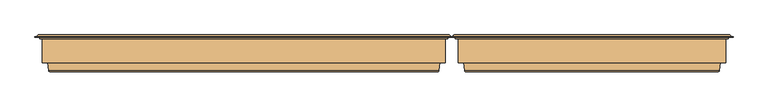
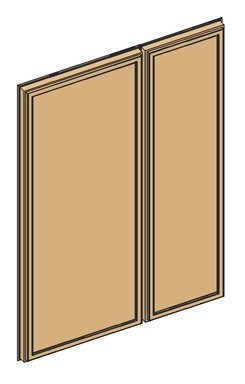
"""IFC4 building model written with IfcOpenShell, lengths in millimetres: door geometry."""

from ifc_helpers import new_model, si_unit, frame, origin, place, context, project, spatial, polyline, ellipse_curve, outline, extrude, source, transform, mapped, element, save
from ifc_brep_helpers import plane_surface, cylinder_surface, revolved_surface, advanced_brep


def door_a9d4e4e5(model_context):
    return source(origin(), model_context, "Body", "SolidModel", [
        advanced_brep(
        [(358.1810635, 152.25, 86.6650635), (826.8509365, 152.25, 86.6650635), (831.1810635, 152.25, 82.3349365), (353.8509365, 152.25, 82.3349365), (314.016, 148.6168436, 2052.5), (314.016, 148.6168436, 42.5), (314.016, 145.5999985, 42.5), (314.016, 145.5999985, 2052.5), (312.0232373, 153.0, 2054.4927627), (312.0232373, 153.0, 40.5072373), (309.5015253, 150.478288, 37.9855253), (309.5015253, 150.478288, 2057.0144747), (366.6910766, 151.5847434, 1999.8249234), (366.6910766, 151.5847434, 95.1750766), (364.7784671, 153.0, 93.2624671), (364.7784671, 153.0, 2001.7375329), (369.5233403, 142.3208261, 1996.9926597), (369.5233403, 142.3208261, 98.0073403), (369.5233403, 141.0, 1996.9926597), (369.5233403, 141.0, 98.0073403), (351.1489982, 93.0, 2015.3670018), (351.1489982, 93.0, 79.6329982), (345.2553392, 141.0, 73.7393392), (345.2553392, 141.0, 2021.2606608), (369.516, 90.0, 1997.0), (369.516, 90.0, 98.0), (369.516, 93.0, 98.0), (369.516, 93.0, 1997.0), (369.4941475, 88.7920883, 1997.0218525), (369.4941475, 88.7920883, 97.9781475), (368.5159999, 90.0, 96.9999999), (368.5159999, 90.0, 1998.0000001), (367.7053091, 80.376265, 1998.8106909), (367.7053091, 80.376265, 96.1893091), (364.7708663, 78.0, 2001.7451337), (364.7708663, 78.0, 93.2548663), (332.9541949, 79.7562613, 2033.5618051), (332.9541949, 79.7562613, 61.4381949), (334.9392872, 78.0, 63.4232872), (334.9392872, 78.0, 2031.5767128), (330.9597146, 96.0, 2035.5562854), (330.9597146, 96.0, 59.4437146), (319.516, 145.5999985, 2047.0), (319.516, 145.5999985, 48.0), (319.516, 96.0, 48.0), (319.516, 96.0, 2047.0), (871.016, 148.6168436, 42.5), (871.016, 145.5999985, 42.5), (873.0087627, 153.0, 40.5072373), (875.5304747, 150.478288, 37.9855253), (818.3409234, 151.5847434, 95.1750766), (820.2535329, 153.0, 93.2624671), (815.5086597, 142.3208261, 98.0073403), (815.5086597, 141.0, 98.0073403), (833.8830018, 93.0, 79.6329982), (839.7766608, 141.0, 73.7393392), (815.516, 90.0, 98.0), (815.516, 93.0, 98.0), (815.5378525, 88.7920883, 97.9781475), (816.5160001, 90.0, 96.9999999), (817.3266909, 80.376265, 96.1893091), (820.2611337, 78.0, 93.2548663), (852.0778051, 79.7562613, 61.4381949), (850.0927128, 78.0, 63.4232872), (854.0722854, 96.0, 59.4437146), (865.516, 145.5999985, 48.0), (865.516, 96.0, 48.0), (871.016, 148.6168436, 2052.5), (871.016, 145.5999985, 2052.5), (873.0087627, 153.0, 2054.4927627), (875.5304747, 150.478288, 2057.0144747), (818.3409234, 151.5847434, 1999.8249234), (820.2535329, 153.0, 2001.7375329), (815.5086597, 142.3208261, 1996.9926597), (815.5086597, 141.0, 1996.9926597), (833.8830018, 93.0, 2015.3670018), (839.7766608, 141.0, 2021.2606608), (815.516, 90.0, 1997.0), (815.516, 93.0, 1997.0), (815.5378525, 88.7920883, 1997.0218525), (816.5160001, 90.0, 1998.0000001), (817.3266909, 80.376265, 1998.8106909), (820.2611337, 78.0, 2001.7451337), (852.0778051, 79.7562613, 2033.5618051), (850.0927128, 78.0, 2031.5767128), (854.0722854, 96.0, 2035.5562854), (865.516, 145.5999985, 2047.0), (865.516, 96.0, 2047.0), (304.3162849, 149.6865589, 32.8002849), (304.3162849, 149.6865589, 2062.1997151), (880.7157151, 149.6865589, 2062.1997151), (880.7157151, 149.6865589, 32.8002849), (309.5015253, 149.6865589, 2057.0144747), (309.5015253, 149.6865589, 37.9855253), (875.5304747, 149.6865589, 37.9855253), (875.5304747, 149.6865589, 2057.0144747), (359.4801016, 153.0, 87.9641016), (359.4801016, 153.0, 2007.0358984), (825.5518984, 153.0, 2007.0358984), (825.5518984, 153.0, 87.9641016), (304.3162849, 148.6168436, 32.8002849), (304.3162849, 148.6168436, 2062.1997151), (880.7157151, 148.6168436, 32.8002849), (880.7157151, 148.6168436, 2062.1997151), (353.8509365, 152.25, 2012.6650635), (352.5518984, 153.0, 81.0358984), (352.5518984, 153.0, 2013.9641016), (358.1810635, 152.25, 2008.3349365), (832.4801016, 153.0, 81.0358984), (831.1810635, 152.25, 2012.6650635), (832.4801016, 153.0, 2013.9641016), (826.8509365, 152.25, 2008.3349365)],
        [
            (0, 1),
            (1, 2, ellipse_curve(frame((829.016, 153.5, 84.5), z_axis=(0.7071067811865475, 0.0, 0.7071067811865475), x_axis=(0.7071067811865476, 0.0, -0.7071067811865474)), 3.5355339, 2.5)),
            (2, 3),
            (3, 0, ellipse_curve(frame((356.016, 153.5, 84.5), z_axis=(-0.7071067811865475, 0.0, 0.7071067811865475), x_axis=(0.7071067811865476, 0.0, 0.7071067811865474)), 3.5355339, 2.5)),
            (4, 5),
            (5, 6),
            (6, 7),
            (7, 4),
            (8, 9),
            (9, 10, ellipse_curve(frame((312.0232373, 150.478288, 40.5072373), z_axis=(-0.7071067811865475, 0.0, 0.7071067811865475), x_axis=(0.7071067811865474, 0.0, 0.7071067811865476)), 3.5662393, 2.521712)),
            (10, 11),
            (11, 8, ellipse_curve(frame((312.0232373, 150.478288, 2054.4927627), z_axis=(-0.7071067811865475, 0.0, -0.7071067811865475), x_axis=(-0.7071067811865474, 0.0, 0.7071067811865476)), 3.5662393, 2.521712)),
            (12, 13),
            (13, 14, ellipse_curve(frame((364.7784671, 151.0, 93.2624671), z_axis=(-0.7071067811865475, 0.0, 0.7071067811865475), x_axis=(0.7071067811865474, 0.0, 0.7071067811865476)), 2.8284271, 2.0)),
            (14, 15),
            (15, 12, ellipse_curve(frame((364.7784671, 151.0, 2001.7375329), z_axis=(-0.7071067811865475, 0.0, -0.7071067811865475), x_axis=(-0.7071067811865474, 0.0, 0.7071067811865476)), 2.8284271, 2.0)),
            (16, 17),
            (17, 13),
            (12, 16),
            (18, 19),
            (19, 17),
            (16, 18),
            (20, 21),
            (21, 22),
            (22, 23),
            (23, 20),
            (24, 25),
            (25, 26),
            (26, 27),
            (27, 24),
            (28, 29),
            (29, 30, ellipse_curve(frame((368.5159999, 89.0, 96.9999999), z_axis=(-0.7071067811865475, 0.0, 0.7071067811865475), x_axis=(0.7071067811865474, 0.0, 0.7071067811865476)), 1.4142136, 1.0)),
            (30, 31),
            (31, 28, ellipse_curve(frame((368.5159999, 89.0, 1998.0000001), z_axis=(-0.7071067811865475, 0.0, -0.7071067811865475), x_axis=(-0.7071067811865474, 0.0, 0.7071067811865476)), 1.4142136, 1.0)),
            (32, 33),
            (33, 29),
            (28, 32),
            (34, 35),
            (35, 33, ellipse_curve(frame((364.7708663, 81.0, 93.2548663), z_axis=(-0.7071067811865475, 0.0, 0.7071067811865475), x_axis=(0.7071067811865474, 0.0, 0.7071067811865476)), 4.2426407, 3.0)),
            (32, 34, ellipse_curve(frame((364.7708663, 81.0, 2001.7451337), z_axis=(-0.7071067811865475, 0.0, -0.7071067811865475), x_axis=(-0.7071067811865474, 0.0, 0.7071067811865476)), 4.2426407, 3.0)),
            (36, 37),
            (37, 38, ellipse_curve(frame((334.9392872, 80.0, 63.4232872), z_axis=(-0.7071067811865475, 0.0, 0.7071067811865475), x_axis=(0.7071067811865474, 0.0, 0.7071067811865476)), 2.8284271, 2.0)),
            (38, 39),
            (39, 36, ellipse_curve(frame((334.9392872, 80.0, 2031.5767128), z_axis=(-0.7071067811865475, 0.0, -0.7071067811865475), x_axis=(-0.7071067811865474, 0.0, 0.7071067811865476)), 2.8284271, 2.0)),
            (40, 41),
            (41, 37),
            (36, 40),
            (42, 43),
            (43, 44),
            (44, 45),
            (45, 42),
            (5, 46),
            (46, 47),
            (47, 6),
            (9, 48),
            (48, 49, ellipse_curve(frame((873.0087627, 150.478288, 40.5072373), z_axis=(-0.7071067811865475, 0.0, -0.7071067811865475), x_axis=(-0.7071067811865476, 0.0, 0.7071067811865474)), 3.5662393, 2.521712)),
            (49, 10),
            (13, 50),
            (50, 51, ellipse_curve(frame((820.2535329, 151.0, 93.2624671), z_axis=(-0.7071067811865475, 0.0, -0.7071067811865475), x_axis=(-0.7071067811865476, 0.0, 0.7071067811865474)), 2.8284271, 2.0)),
            (51, 14),
            (17, 52),
            (52, 50),
            (19, 53),
            (53, 52),
            (21, 54),
            (54, 55),
            (55, 22),
            (25, 56),
            (56, 57),
            (57, 26),
            (29, 58),
            (58, 59, ellipse_curve(frame((816.5160001, 89.0, 96.9999999), z_axis=(-0.7071067811865475, 0.0, -0.7071067811865475), x_axis=(-0.7071067811865476, 0.0, 0.7071067811865474)), 1.4142136, 1.0)),
            (59, 30),
            (33, 60),
            (60, 58),
            (35, 61),
            (61, 60, ellipse_curve(frame((820.2611337, 81.0, 93.2548663), z_axis=(-0.7071067811865475, 0.0, -0.7071067811865475), x_axis=(-0.7071067811865476, 0.0, 0.7071067811865474)), 4.2426407, 3.0)),
            (37, 62),
            (62, 63, ellipse_curve(frame((850.0927128, 80.0, 63.4232872), z_axis=(-0.7071067811865475, 0.0, -0.7071067811865475), x_axis=(-0.7071067811865476, 0.0, 0.7071067811865474)), 2.8284271, 2.0)),
            (63, 38),
            (41, 64),
            (64, 62),
            (43, 65),
            (65, 66),
            (66, 44),
            (46, 67),
            (67, 68),
            (68, 47),
            (48, 69),
            (69, 70, ellipse_curve(frame((873.0087627, 150.478288, 2054.4927627), z_axis=(0.7071067811865475, 0.0, -0.7071067811865475), x_axis=(-0.7071067811865474, 0.0, -0.7071067811865476)), 3.5662393, 2.521712)),
            (70, 49),
            (50, 71),
            (71, 72, ellipse_curve(frame((820.2535329, 151.0, 2001.7375329), z_axis=(0.7071067811865475, 0.0, -0.7071067811865475), x_axis=(-0.7071067811865474, 0.0, -0.7071067811865476)), 2.8284271, 2.0)),
            (72, 51),
            (52, 73),
            (73, 71),
            (53, 74),
            (74, 73),
            (54, 75),
            (75, 76),
            (76, 55),
            (56, 77),
            (77, 78),
            (78, 57),
            (58, 79),
            (79, 80, ellipse_curve(frame((816.5160001, 89.0, 1998.0000001), z_axis=(0.7071067811865475, 0.0, -0.7071067811865475), x_axis=(-0.7071067811865474, 0.0, -0.7071067811865476)), 1.4142136, 1.0)),
            (80, 59),
            (60, 81),
            (81, 79),
            (61, 82),
            (82, 81, ellipse_curve(frame((820.2611337, 81.0, 2001.7451337), z_axis=(0.7071067811865475, 0.0, -0.7071067811865475), x_axis=(-0.7071067811865474, 0.0, -0.7071067811865476)), 4.2426407, 3.0)),
            (62, 83),
            (83, 84, ellipse_curve(frame((850.0927128, 80.0, 2031.5767128), z_axis=(0.7071067811865475, 0.0, -0.7071067811865475), x_axis=(-0.7071067811865474, 0.0, -0.7071067811865476)), 2.8284271, 2.0)),
            (84, 63),
            (64, 85),
            (85, 83),
            (65, 86),
            (86, 87),
            (87, 66),
            (68, 7),
            (42, 86),
            (67, 4),
            (88, 89),
            (89, 90),
            (90, 91),
            (91, 88),
            (92, 93),
            (93, 94),
            (94, 95),
            (95, 92),
            (69, 8),
            (11, 70),
            (96, 97),
            (97, 98),
            (98, 99),
            (99, 96),
            (72, 15),
            (71, 12),
            (73, 16),
            (74, 18),
            (76, 23),
            (75, 20),
            (78, 27),
            (77, 24),
            (80, 31),
            (79, 28),
            (81, 32),
            (82, 34),
            (84, 39),
            (83, 36),
            (85, 40),
            (87, 45),
            (88, 100),
            (100, 101),
            (101, 89),
            (10, 93),
            (92, 11),
            (91, 102),
            (102, 100),
            (49, 94),
            (90, 103),
            (103, 102),
            (70, 95),
            (103, 101),
            (104, 3),
            (3, 105, ellipse_curve(frame((352.5518984, 151.5, 81.0358984), z_axis=(-0.7071067811865475, 0.0, 0.7071067811865475), x_axis=(0.7071067811865474, 0.0, 0.7071067811865476)), 2.1213203, 1.5)),
            (105, 106),
            (106, 104, ellipse_curve(frame((352.5518984, 151.5, 2013.9641016), z_axis=(-0.7071067811865475, 0.0, -0.7071067811865475), x_axis=(-0.7071067811865474, 0.0, 0.7071067811865476)), 2.1213203, 1.5)),
            (107, 0),
            (104, 107, ellipse_curve(frame((356.016, 153.5, 2010.5), z_axis=(0.7071067811865475, 0.0, 0.7071067811865475), x_axis=(0.7071067811865474, 0.0, -0.7071067811865476)), 3.5355339, 2.5)),
            (96, 0, ellipse_curve(frame((359.4801016, 151.5, 87.9641016), z_axis=(-0.7071067811865475, 0.0, 0.7071067811865475), x_axis=(0.7071067811865474, 0.0, 0.7071067811865476)), 2.1213203, 1.5)),
            (107, 97, ellipse_curve(frame((359.4801016, 151.5, 2007.0358984), z_axis=(-0.7071067811865475, 0.0, -0.7071067811865475), x_axis=(-0.7071067811865474, 0.0, 0.7071067811865476)), 2.1213203, 1.5)),
            (2, 108, ellipse_curve(frame((832.4801016, 151.5, 81.0358984), z_axis=(-0.7071067811865475, 0.0, -0.7071067811865475), x_axis=(-0.7071067811865476, 0.0, 0.7071067811865474)), 2.1213203, 1.5)),
            (108, 105),
            (99, 1, ellipse_curve(frame((825.5518984, 151.5, 87.9641016), z_axis=(-0.7071067811865475, 0.0, -0.7071067811865475), x_axis=(-0.7071067811865476, 0.0, 0.7071067811865474)), 2.1213203, 1.5)),
            (2, 109),
            (109, 110, ellipse_curve(frame((832.4801016, 151.5, 2013.9641016), z_axis=(0.7071067811865475, 0.0, -0.7071067811865475), x_axis=(-0.7071067811865474, 0.0, -0.7071067811865476)), 2.1213203, 1.5)),
            (110, 108),
            (1, 111),
            (111, 109, ellipse_curve(frame((829.016, 153.5, 2010.5), z_axis=(-0.7071067811865475, 0.0, 0.7071067811865475), x_axis=(0.7071067811865474, 0.0, 0.7071067811865476)), 3.5355339, 2.5)),
            (98, 111, ellipse_curve(frame((825.5518984, 151.5, 2007.0358984), z_axis=(0.7071067811865475, 0.0, -0.7071067811865475), x_axis=(-0.7071067811865474, 0.0, -0.7071067811865476)), 2.1213203, 1.5)),
            (110, 106),
            (109, 104),
            (111, 107),
        ],
        [
            revolved_surface(polyline([(831.5159999958048, 151.0, 84.5), (353.5160000041951, 151.0, 84.5)]), (319.516, 153.5, 84.5), (1.0, 0.0, 0.0)),
            plane_surface(frame((314.016, 145.5999985, 2052.5), z_axis=(-1.0, 0.0, 0.0), x_axis=(0.0, 0.0, -1.0))),
            cylinder_surface(frame((312.0232373, 150.478288, 2047.0), z_axis=(0.0, 0.0, 1.0), x_axis=(0.0, -1.0, 0.0)), 2.521712),
            cylinder_surface(frame((364.7784671, 151.0, 2047.0), z_axis=(0.0, 0.0, 1.0), x_axis=(0.0, -1.0, 0.0)), 2.0),
            plane_surface(frame((366.6910766, 151.5847434, 1999.8249234), z_axis=(0.9563047559629807, 0.2923717047229163, 0.0), x_axis=(0.0, 0.0, -1.0))),
            plane_surface(frame((369.5233403, 142.3208261, 1996.9926597), z_axis=(1.0, 0.0, 0.0), x_axis=(0.0, 0.0, -1.0))),
            plane_surface(frame((345.2553392, 141.0, 2021.2606608), z_axis=(0.9925461516413233, 0.12186934340513725, 0.0), x_axis=(0.0, 0.0, -1.0))),
            plane_surface(frame((369.516, 93.0, 1997.0), z_axis=(1.0, 0.0, 0.0), x_axis=(0.0, 0.0, -1.0))),
            cylinder_surface(frame((368.5159999, 89.0, 2047.0), z_axis=(0.0, 0.0, 1.0), x_axis=(0.0, -1.0, 0.0)), 1.0),
            plane_surface(frame((369.4941475, 88.7920883, 1997.0218525), z_axis=(0.9781476042228762, -0.2079116744029725, 0.0), x_axis=(0.0, 0.0, -1.0))),
            cylinder_surface(frame((364.7708663, 81.0, 2047.0), z_axis=(0.0, 0.0, 1.0), x_axis=(0.0, -1.0, 0.0)), 3.0),
            cylinder_surface(frame((334.9392872, 80.0, 2047.0), z_axis=(0.0, 0.0, 1.0), x_axis=(0.0, -1.0, 0.0)), 2.0),
            plane_surface(frame((332.9541949, 79.7562613, 2033.5618051), z_axis=(-0.9925461516416141, -0.12186934340276924, 0.0), x_axis=(0.0, 0.0, -1.0))),
            plane_surface(frame((319.516, 96.0, 2047.0), z_axis=(-1.0, 0.0, 0.0), x_axis=(0.0, 0.0, -1.0))),
            plane_surface(frame((314.016, 145.5999985, 42.5), z_axis=(0.0, 0.0, -1.0), x_axis=(1.0, 0.0, 0.0))),
            cylinder_surface(frame((319.516, 150.478288, 40.5072373), z_axis=(-1.0, 0.0, 0.0), x_axis=(0.0, -1.0, 0.0)), 2.521712),
            cylinder_surface(frame((319.516, 151.0, 93.2624671), z_axis=(-1.0, 0.0, 0.0), x_axis=(0.0, -1.0, 0.0)), 2.0),
            plane_surface(frame((366.6910766, 151.5847434, 95.1750766), z_axis=(0.0, 0.2923717047229163, 0.9563047559629807), x_axis=(1.0, 0.0, 0.0))),
            plane_surface(frame((369.5233403, 142.3208261, 98.0073403), z_axis=(0.0, 0.0, 1.0), x_axis=(1.0, 0.0, 0.0))),
            plane_surface(frame((345.2553392, 141.0, 73.7393392), z_axis=(0.0, 0.12186934340513725, 0.9925461516413233), x_axis=(1.0, 0.0, 0.0))),
            plane_surface(frame((369.516, 93.0, 98.0), z_axis=(0.0, 0.0, 1.0), x_axis=(1.0, 0.0, 0.0))),
            cylinder_surface(frame((319.516, 89.0, 96.9999999), z_axis=(-1.0, 0.0, 0.0), x_axis=(0.0, -1.0, 0.0)), 1.0),
            plane_surface(frame((369.4941475, 88.7920883, 97.9781475), z_axis=(0.0, -0.2079116744029725, 0.9781476042228762), x_axis=(1.0, 0.0, 0.0))),
            cylinder_surface(frame((319.516, 81.0, 93.2548663), z_axis=(-1.0, 0.0, 0.0), x_axis=(0.0, -1.0, 0.0)), 3.0),
            cylinder_surface(frame((319.516, 80.0, 63.4232872), z_axis=(-1.0, 0.0, 0.0), x_axis=(0.0, -1.0, 0.0)), 2.0),
            plane_surface(frame((332.9541949, 79.7562613, 61.4381949), z_axis=(0.0, -0.12186934340276924, -0.9925461516416141), x_axis=(1.0, 0.0, 0.0))),
            plane_surface(frame((319.516, 96.0, 48.0), z_axis=(0.0, 0.0, -1.0), x_axis=(1.0, 0.0, 0.0))),
            plane_surface(frame((871.016, 145.5999985, 42.5), z_axis=(1.0, 0.0, 0.0), x_axis=(0.0, 0.0, 1.0))),
            cylinder_surface(frame((873.0087627, 150.478288, 48.0), z_axis=(0.0, 0.0, -1.0), x_axis=(0.0, -1.0, 0.0)), 2.521712),
            cylinder_surface(frame((820.2535329, 151.0, 48.0), z_axis=(0.0, 0.0, -1.0), x_axis=(0.0, -1.0, 0.0)), 2.0),
            plane_surface(frame((818.3409234, 151.5847434, 95.1750766), z_axis=(-0.9563047559629807, 0.2923717047229163, 0.0), x_axis=(0.0, 0.0, 1.0))),
            plane_surface(frame((815.5086597, 142.3208261, 98.0073403), z_axis=(-1.0, 0.0, 0.0), x_axis=(0.0, 0.0, 1.0))),
            plane_surface(frame((839.7766608, 141.0, 73.7393392), z_axis=(-0.9925461516413233, 0.12186934340513725, 0.0), x_axis=(0.0, 0.0, 1.0))),
            plane_surface(frame((815.516, 93.0, 98.0), z_axis=(-1.0, 0.0, 0.0), x_axis=(0.0, 0.0, 1.0))),
            cylinder_surface(frame((816.5160001, 89.0, 48.0), z_axis=(0.0, 0.0, -1.0), x_axis=(0.0, -1.0, 0.0)), 1.0),
            plane_surface(frame((815.5378525, 88.7920883, 97.9781475), z_axis=(-0.9781476042228762, -0.2079116744029725, 0.0), x_axis=(0.0, 0.0, 1.0))),
            cylinder_surface(frame((820.2611337, 81.0, 48.0), z_axis=(0.0, 0.0, -1.0), x_axis=(0.0, -1.0, 0.0)), 3.0),
            cylinder_surface(frame((850.0927128, 80.0, 48.0), z_axis=(0.0, 0.0, -1.0), x_axis=(0.0, -1.0, 0.0)), 2.0),
            plane_surface(frame((852.0778051, 79.7562613, 61.4381949), z_axis=(0.9925461516416141, -0.12186934340276924, 0.0), x_axis=(0.0, 0.0, 1.0))),
            plane_surface(frame((865.516, 96.0, 48.0), z_axis=(1.0, 0.0, 0.0), x_axis=(0.0, 0.0, 1.0))),
            plane_surface(frame((865.516, 145.5999985, 2047.0), z_axis=(0.0, -1.0, 0.0), x_axis=(-1.0, 0.0, 0.0))),
            plane_surface(frame((871.016, 145.5999985, 2052.5), z_axis=(0.0, 0.0, 1.0), x_axis=(-1.0, 0.0, 0.0))),
            plane_surface(frame((880.7157151, 149.6865589, 2062.1997151), z_axis=(0.0, 1.0, 0.0), x_axis=(-1.0, 0.0, 0.0))),
            cylinder_surface(frame((865.516, 150.478288, 2054.4927627), z_axis=(1.0, 0.0, 0.0), x_axis=(0.0, -1.0, 0.0)), 2.521712),
            plane_surface(frame((825.5518984, 153.0, 2007.0358984), z_axis=(0.0, 1.0, 0.0), x_axis=(-1.0, 0.0, 0.0))),
            cylinder_surface(frame((865.516, 151.0, 2001.7375329), z_axis=(1.0, 0.0, 0.0), x_axis=(0.0, -1.0, 0.0)), 2.0),
            plane_surface(frame((818.3409234, 151.5847434, 1999.8249234), z_axis=(0.0, 0.2923717047229163, -0.9563047559629807), x_axis=(-1.0, 0.0, 0.0))),
            plane_surface(frame((815.5086597, 142.3208261, 1996.9926597), z_axis=(0.0, 0.0, -1.0), x_axis=(-1.0, 0.0, 0.0))),
            plane_surface(frame((815.5086597, 141.0, 1996.9926597), z_axis=(0.0, -1.0, 0.0), x_axis=(-1.0, 0.0, 0.0))),
            plane_surface(frame((839.7766608, 141.0, 2021.2606608), z_axis=(0.0, 0.12186934340513725, -0.9925461516413233), x_axis=(-1.0, 0.0, 0.0))),
            plane_surface(frame((833.8830018, 93.0, 2015.3670018), z_axis=(0.0, 1.0, 0.0), x_axis=(-1.0, 0.0, 0.0))),
            plane_surface(frame((815.516, 93.0, 1997.0), z_axis=(0.0, 0.0, -1.0), x_axis=(-1.0, 0.0, 0.0))),
            plane_surface(frame((815.516, 90.0, 1997.0), z_axis=(0.0, -1.0, 0.0), x_axis=(-1.0, 0.0, 0.0))),
            cylinder_surface(frame((865.516, 89.0, 1998.0000001), z_axis=(1.0, 0.0, 0.0), x_axis=(0.0, -1.0, 0.0)), 1.0),
            plane_surface(frame((815.5378525, 88.7920883, 1997.0218525), z_axis=(0.0, -0.2079116744029725, -0.9781476042228762), x_axis=(-1.0, 0.0, 0.0))),
            cylinder_surface(frame((865.516, 81.0, 2001.7451337), z_axis=(1.0, 0.0, 0.0), x_axis=(0.0, -1.0, 0.0)), 3.0),
            plane_surface(frame((820.2611337, 78.0, 2001.7451337), z_axis=(0.0, -1.0, 0.0), x_axis=(-1.0, 0.0, 0.0))),
            cylinder_surface(frame((865.516, 80.0, 2031.5767128), z_axis=(1.0, 0.0, 0.0), x_axis=(0.0, -1.0, 0.0)), 2.0),
            plane_surface(frame((852.0778051, 79.7562613, 2033.5618051), z_axis=(0.0, -0.12186934340276924, 0.9925461516416141), x_axis=(-1.0, 0.0, 0.0))),
            plane_surface(frame((854.0722854, 96.0, 2035.5562854), z_axis=(0.0, -1.0, 0.0), x_axis=(-1.0, 0.0, 0.0))),
            plane_surface(frame((865.516, 96.0, 2047.0), z_axis=(0.0, 0.0, 1.0), x_axis=(-1.0, 0.0, 0.0))),
            plane_surface(frame((304.3162849, 148.6168436, 2062.1997151), z_axis=(-1.0, 0.0, 0.0), x_axis=(0.0, 0.0, -1.0))),
            plane_surface(frame((309.5015253, 149.6865589, 2057.0144747), z_axis=(-1.0, 0.0, 0.0), x_axis=(0.0, 0.0, -1.0))),
            plane_surface(frame((304.3162849, 148.6168436, 32.8002849), z_axis=(0.0, 0.0, -1.0), x_axis=(1.0, 0.0, 0.0))),
            plane_surface(frame((309.5015253, 149.6865589, 37.9855253), z_axis=(0.0, 0.0, -1.0), x_axis=(1.0, 0.0, 0.0))),
            plane_surface(frame((880.7157151, 148.6168436, 32.8002849), z_axis=(1.0, 0.0, 0.0), x_axis=(0.0, 0.0, 1.0))),
            plane_surface(frame((875.5304747, 149.6865589, 37.9855253), z_axis=(1.0, 0.0, 0.0), x_axis=(0.0, 0.0, 1.0))),
            plane_surface(frame((871.016, 148.6168436, 2052.5), z_axis=(0.0, -1.0, 0.0), x_axis=(-1.0, 0.0, 0.0))),
            plane_surface(frame((880.7157151, 148.6168436, 2062.1997151), z_axis=(0.0, 0.0, 1.0), x_axis=(-1.0, 0.0, 0.0))),
            plane_surface(frame((875.5304747, 149.6865589, 2057.0144747), z_axis=(0.0, 0.0, 1.0), x_axis=(-1.0, 0.0, 0.0))),
            cylinder_surface(frame((352.5518984, 151.5, 2047.0), z_axis=(0.0, 0.0, 1.0), x_axis=(0.0, -1.0, 0.0)), 1.5),
            revolved_surface(polyline([(356.016, 151.0, 82.00000000419504), (356.016, 151.0, 2012.999999995805)]), (356.016, 153.5, 2047.0), (0.0, 0.0, -1.0)),
            cylinder_surface(frame((359.4801016, 151.5, 2047.0), z_axis=(0.0, 0.0, 1.0), x_axis=(0.0, -1.0, 0.0)), 1.5),
            cylinder_surface(frame((319.516, 151.5, 81.0358984), z_axis=(-1.0, 0.0, 0.0), x_axis=(0.0, -1.0, 0.0)), 1.5),
            cylinder_surface(frame((319.516, 151.5, 87.9641016), z_axis=(-1.0, 0.0, 0.0), x_axis=(0.0, -1.0, 0.0)), 1.5),
            cylinder_surface(frame((832.4801016, 151.5, 48.0), z_axis=(0.0, 0.0, -1.0), x_axis=(0.0, -1.0, 0.0)), 1.5),
            revolved_surface(polyline([(829.016, 151.0, 2012.999999995805), (829.016, 151.0, 82.00000000419507)]), (829.016, 153.5, 48.0), (0.0, 0.0, 1.0)),
            cylinder_surface(frame((825.5518984, 151.5, 48.0), z_axis=(0.0, 0.0, -1.0), x_axis=(0.0, -1.0, 0.0)), 1.5),
            plane_surface(frame((873.0087627, 153.0, 2054.4927627), z_axis=(0.0, 1.0, 0.0), x_axis=(-1.0, 0.0, 0.0))),
            cylinder_surface(frame((865.516, 151.5, 2013.9641016), z_axis=(1.0, 0.0, 0.0), x_axis=(0.0, -1.0, 0.0)), 1.5),
            revolved_surface(polyline([(353.5160000041951, 151.0, 2010.5), (831.5159999958049, 151.0, 2010.5)]), (865.516, 153.5, 2010.5), (-1.0, 0.0, 0.0)),
            cylinder_surface(frame((865.516, 151.5, 2007.0358984), z_axis=(1.0, 0.0, 0.0), x_axis=(0.0, -1.0, 0.0)), 1.5),
        ],
        [
            (0, [[1, 2, 3, 4]]),
            (1, [[5, 6, 7, 8]]),
            (2, [[9, 10, 11, 12]]),
            (3, [[13, 14, 15, 16]]),
            (4, [[17, 18, -13, 19]]),
            (5, [[20, 21, -17, 22]]),
            (6, [[23, 24, 25, 26]]),
            (7, [[27, 28, 29, 30]]),
            (8, [[31, 32, 33, 34]]),
            (9, [[35, 36, -31, 37]]),
            (10, [[38, 39, -35, 40]]),
            (11, [[41, 42, 43, 44]]),
            (12, [[45, 46, -41, 47]]),
            (13, [[48, 49, 50, 51]]),
            (14, [[52, 53, 54, -6]]),
            (15, [[55, 56, 57, -10]]),
            (16, [[58, 59, 60, -14]]),
            (17, [[61, 62, -58, -18]]),
            (18, [[63, 64, -61, -21]]),
            (19, [[65, 66, 67, -24]]),
            (20, [[68, 69, 70, -28]]),
            (21, [[71, 72, 73, -32]]),
            (22, [[74, 75, -71, -36]]),
            (23, [[76, 77, -74, -39]]),
            (24, [[78, 79, 80, -42]]),
            (25, [[81, 82, -78, -46]]),
            (26, [[83, 84, 85, -49]]),
            (27, [[86, 87, 88, -53]]),
            (28, [[89, 90, 91, -56]]),
            (29, [[92, 93, 94, -59]]),
            (30, [[95, 96, -92, -62]]),
            (31, [[97, 98, -95, -64]]),
            (32, [[99, 100, 101, -66]]),
            (33, [[102, 103, 104, -69]]),
            (34, [[105, 106, 107, -72]]),
            (35, [[108, 109, -105, -75]]),
            (36, [[110, 111, -108, -77]]),
            (37, [[112, 113, 114, -79]]),
            (38, [[115, 116, -112, -82]]),
            (39, [[117, 118, 119, -84]]),
            (40, [[-7, -54, -88, 120], [-48, 121, -117, -83]]),
            (41, [[122, -8, -120, -87]]),
            (42, [[123, 124, 125, 126], [127, 128, 129, 130]]),
            (43, [[131, -12, 132, -90]]),
            (44, [[133, 134, 135, 136], [-15, -60, -94, 137]]),
            (45, [[138, -16, -137, -93]]),
            (46, [[139, -19, -138, -96]]),
            (47, [[140, -22, -139, -98]]),
            (48, [[-25, -67, -101, 141], [-20, -140, -97, -63]]),
            (49, [[142, -26, -141, -100]]),
            (50, [[-23, -142, -99, -65], [-29, -70, -104, 143]]),
            (51, [[144, -30, -143, -103]]),
            (52, [[-33, -73, -107, 145], [-27, -144, -102, -68]]),
            (53, [[146, -34, -145, -106]]),
            (54, [[147, -37, -146, -109]]),
            (55, [[148, -40, -147, -111]]),
            (56, [[-43, -80, -114, 149], [-38, -148, -110, -76]]),
            (57, [[150, -44, -149, -113]]),
            (58, [[151, -47, -150, -116]]),
            (59, [[-50, -85, -119, 152], [-45, -151, -115, -81]]),
            (60, [[-121, -51, -152, -118]]),
            (61, [[-123, 153, 154, 155]]),
            (62, [[-11, 156, -127, 157]]),
            (63, [[-126, 158, 159, -153]]),
            (64, [[-57, 160, -128, -156]]),
            (65, [[-125, 161, 162, -158]]),
            (66, [[-91, 163, -129, -160]]),
            (67, [[-154, -159, -162, 164], [-5, -122, -86, -52]]),
            (68, [[-124, -155, -164, -161]]),
            (69, [[-132, -157, -130, -163]]),
            (70, [[165, 166, 167, 168]]),
            (71, [[169, -4, -165, 170]]),
            (72, [[-133, 171, -169, 172]]),
            (73, [[-3, 173, 174, -166]]),
            (74, [[-136, 175, -1, -171]]),
            (75, [[176, 177, 178, -173]]),
            (76, [[179, 180, -176, -2]]),
            (77, [[-135, 181, -179, -175]]),
            (78, [[-9, -131, -89, -55], [-167, -174, -178, 182]]),
            (79, [[183, -168, -182, -177]]),
            (80, [[184, -170, -183, -180]]),
            (81, [[-134, -172, -184, -181]]),
        ],
    ),
        extrude(outline(polyline([(356.516, 93.0110098), (356.516, 141.0110098), (828.516, 141.0110098), (828.516, 93.0110098), (356.516, 93.0110098)])), frame((0.0, 0.0, 85.0), z_axis=(0.0, 0.0, 1.0), x_axis=(1.0, 0.0, 0.0)), (0.0, 0.0, 1.0), 1925.0),
        advanced_brep(
        [(254.8509365, 152.25, 86.6650635), (259.1810635, 152.25, 82.3349365), (-494.1490635, 152.25, 82.3349365), (-489.8189365, 152.25, 86.6650635), (299.016, 148.6168436, 2052.5), (299.016, 145.5999985, 2052.5), (299.016, 145.5999985, 42.5), (299.016, 148.6168436, 42.5), (301.0087627, 153.0, 2054.4927627), (303.5304747, 150.478288, 2057.0144747), (303.5304747, 150.478288, 37.9855253), (301.0087627, 153.0, 40.5072373), (246.3409234, 151.5847434, 1999.8249234), (248.2535329, 153.0, 2001.7375329), (248.2535329, 153.0, 93.2624671), (246.3409234, 151.5847434, 95.1750766), (243.5086597, 142.3208261, 1996.9926597), (243.5086597, 142.3208261, 98.0073403), (243.5086597, 141.0, 1996.9926597), (243.5086597, 141.0, 98.0073403), (261.8830018, 93.0, 2015.3670018), (267.7766608, 141.0, 2021.2606608), (267.7766608, 141.0, 73.7393392), (261.8830018, 93.0, 79.6329982), (243.516, 90.0, 1997.0), (243.516, 93.0, 1997.0), (243.516, 93.0, 98.0), (243.516, 90.0, 98.0), (243.5378525, 88.7920883, 1997.0218525), (244.5160001, 90.0, 1998.0000001), (244.5160001, 90.0, 96.9999999), (243.5378525, 88.7920883, 97.9781475), (245.3266909, 80.376265, 1998.8106909), (245.3266909, 80.376265, 96.1893091), (248.2611337, 78.0, 2001.7451337), (248.2611337, 78.0, 93.2548663), (280.0778051, 79.7562613, 2033.5618051), (278.0927128, 78.0, 2031.5767128), (278.0927128, 78.0, 63.4232872), (280.0778051, 79.7562613, 61.4381949), (282.0722854, 96.0, 2035.5562854), (282.0722854, 96.0, 59.4437146), (293.516, 145.5999985, 2047.0), (293.516, 96.0, 2047.0), (293.516, 96.0, 48.0), (293.516, 145.5999985, 48.0), (-533.984, 145.5999985, 42.5), (-533.984, 148.6168436, 42.5), (-538.4984747, 150.478288, 37.9855253), (-535.9767627, 153.0, 40.5072373), (-483.2215329, 153.0, 93.2624671), (-481.3089234, 151.5847434, 95.1750766), (-478.4766597, 142.3208261, 98.0073403), (-478.4766597, 141.0, 98.0073403), (-502.7446608, 141.0, 73.7393392), (-496.8510018, 93.0, 79.6329982), (-478.484, 93.0, 98.0), (-478.484, 90.0, 98.0), (-479.4840001, 90.0, 96.9999999), (-478.5058525, 88.7920883, 97.9781475), (-480.2946909, 80.376265, 96.1893091), (-483.2291337, 78.0, 93.2548663), (-513.0607128, 78.0, 63.4232872), (-515.0458051, 79.7562613, 61.4381949), (-517.0402854, 96.0, 59.4437146), (-528.484, 96.0, 48.0), (-528.484, 145.5999985, 48.0), (-533.984, 145.5999985, 2052.5), (-533.984, 148.6168436, 2052.5), (-538.4984747, 150.478288, 2057.0144747), (-535.9767627, 153.0, 2054.4927627), (-483.2215329, 153.0, 2001.7375329), (-481.3089234, 151.5847434, 1999.8249234), (-478.4766597, 142.3208261, 1996.9926597), (-478.4766597, 141.0, 1996.9926597), (-502.7446608, 141.0, 2021.2606608), (-496.8510018, 93.0, 2015.3670018), (-478.484, 93.0, 1997.0), (-478.484, 90.0, 1997.0), (-479.4840001, 90.0, 1998.0000001), (-478.5058525, 88.7920883, 1997.0218525), (-480.2946909, 80.376265, 1998.8106909), (-483.2291337, 78.0, 2001.7451337), (-513.0607128, 78.0, 2031.5767128), (-515.0458051, 79.7562613, 2033.5618051), (-517.0402854, 96.0, 2035.5562854), (-528.484, 96.0, 2047.0), (-528.484, 145.5999985, 2047.0), (308.7157151, 149.6865589, 32.8002849), (-543.6837151, 149.6865589, 32.8002849), (-543.6837151, 149.6865589, 2062.1997151), (308.7157151, 149.6865589, 2062.1997151), (303.5304747, 149.6865589, 2057.0144747), (-538.4984747, 149.6865589, 2057.0144747), (-538.4984747, 149.6865589, 37.9855253), (303.5304747, 149.6865589, 37.9855253), (253.5518984, 153.0, 87.9641016), (-488.5198984, 153.0, 87.9641016), (-488.5198984, 153.0, 2007.0358984), (253.5518984, 153.0, 2007.0358984), (308.7157151, 148.6168436, 2062.1997151), (308.7157151, 148.6168436, 32.8002849), (-543.6837151, 148.6168436, 32.8002849), (-543.6837151, 148.6168436, 2062.1997151), (259.1810635, 152.25, 2012.6650635), (260.4801016, 153.0, 2013.9641016), (260.4801016, 153.0, 81.0358984), (254.8509365, 152.25, 2008.3349365), (-495.4481016, 153.0, 81.0358984), (-495.4481016, 153.0, 2013.9641016), (-494.1490635, 152.25, 2012.6650635), (-489.8189365, 152.25, 2008.3349365)],
        [
            (0, 1, ellipse_curve(frame((257.016, 153.5, 84.5), z_axis=(0.7071067811865475, 0.0, 0.7071067811865475), x_axis=(-0.7071067811865476, 0.0, 0.7071067811865474)), 3.5355339, 2.5)),
            (1, 2),
            (2, 3, ellipse_curve(frame((-491.984, 153.5, 84.5), z_axis=(-0.7071067811865475, 0.0, 0.7071067811865475), x_axis=(-0.7071067811865476, 0.0, -0.7071067811865474)), 3.5355339, 2.5)),
            (3, 0),
            (4, 5),
            (5, 6),
            (6, 7),
            (7, 4),
            (8, 9, ellipse_curve(frame((301.0087627, 150.478288, 2054.4927627), z_axis=(0.7071067811865475, 0.0, -0.7071067811865475), x_axis=(0.7071067811865474, 0.0, 0.7071067811865476)), 3.5662393, 2.521712)),
            (9, 10),
            (10, 11, ellipse_curve(frame((301.0087627, 150.478288, 40.5072373), z_axis=(0.7071067811865475, 0.0, 0.7071067811865475), x_axis=(-0.7071067811865474, 0.0, 0.7071067811865476)), 3.5662393, 2.521712)),
            (11, 8),
            (12, 13, ellipse_curve(frame((248.2535329, 151.0, 2001.7375329), z_axis=(0.7071067811865475, 0.0, -0.7071067811865475), x_axis=(0.7071067811865474, 0.0, 0.7071067811865476)), 2.8284271, 2.0)),
            (13, 14),
            (14, 15, ellipse_curve(frame((248.2535329, 151.0, 93.2624671), z_axis=(0.7071067811865475, 0.0, 0.7071067811865475), x_axis=(-0.7071067811865474, 0.0, 0.7071067811865476)), 2.8284271, 2.0)),
            (15, 12),
            (16, 12),
            (15, 17),
            (17, 16),
            (18, 16),
            (17, 19),
            (19, 18),
            (20, 21),
            (21, 22),
            (22, 23),
            (23, 20),
            (24, 25),
            (25, 26),
            (26, 27),
            (27, 24),
            (28, 29, ellipse_curve(frame((244.5160001, 89.0, 1998.0000001), z_axis=(0.7071067811865475, 0.0, -0.7071067811865475), x_axis=(0.7071067811865474, 0.0, 0.7071067811865476)), 1.4142136, 1.0)),
            (29, 30),
            (30, 31, ellipse_curve(frame((244.5160001, 89.0, 96.9999999), z_axis=(0.7071067811865475, 0.0, 0.7071067811865475), x_axis=(-0.7071067811865474, 0.0, 0.7071067811865476)), 1.4142136, 1.0)),
            (31, 28),
            (32, 28),
            (31, 33),
            (33, 32),
            (34, 32, ellipse_curve(frame((248.2611337, 81.0, 2001.7451337), z_axis=(0.7071067811865475, 0.0, -0.7071067811865475), x_axis=(0.7071067811865474, 0.0, 0.7071067811865476)), 4.2426407, 3.0)),
            (33, 35, ellipse_curve(frame((248.2611337, 81.0, 93.2548663), z_axis=(0.7071067811865475, 0.0, 0.7071067811865475), x_axis=(-0.7071067811865474, 0.0, 0.7071067811865476)), 4.2426407, 3.0)),
            (35, 34),
            (36, 37, ellipse_curve(frame((278.0927128, 80.0, 2031.5767128), z_axis=(0.7071067811865475, 0.0, -0.7071067811865475), x_axis=(0.7071067811865474, 0.0, 0.7071067811865476)), 2.8284271, 2.0)),
            (37, 38),
            (38, 39, ellipse_curve(frame((278.0927128, 80.0, 63.4232872), z_axis=(0.7071067811865475, 0.0, 0.7071067811865475), x_axis=(-0.7071067811865474, 0.0, 0.7071067811865476)), 2.8284271, 2.0)),
            (39, 36),
            (40, 36),
            (39, 41),
            (41, 40),
            (42, 43),
            (43, 44),
            (44, 45),
            (45, 42),
            (6, 46),
            (46, 47),
            (47, 7),
            (10, 48),
            (48, 49, ellipse_curve(frame((-535.9767627, 150.478288, 40.5072373), z_axis=(0.7071067811865475, 0.0, -0.7071067811865475), x_axis=(0.7071067811865476, 0.0, 0.7071067811865474)), 3.5662393, 2.521712)),
            (49, 11),
            (14, 50),
            (50, 51, ellipse_curve(frame((-483.2215329, 151.0, 93.2624671), z_axis=(0.7071067811865475, 0.0, -0.7071067811865475), x_axis=(0.7071067811865476, 0.0, 0.7071067811865474)), 2.8284271, 2.0)),
            (51, 15),
            (51, 52),
            (52, 17),
            (52, 53),
            (53, 19),
            (22, 54),
            (54, 55),
            (55, 23),
            (26, 56),
            (56, 57),
            (57, 27),
            (30, 58),
            (58, 59, ellipse_curve(frame((-479.4840001, 89.0, 96.9999999), z_axis=(0.7071067811865475, 0.0, -0.7071067811865475), x_axis=(0.7071067811865476, 0.0, 0.7071067811865474)), 1.4142136, 1.0)),
            (59, 31),
            (59, 60),
            (60, 33),
            (60, 61, ellipse_curve(frame((-483.2291337, 81.0, 93.2548663), z_axis=(0.7071067811865475, 0.0, -0.7071067811865475), x_axis=(0.7071067811865476, 0.0, 0.7071067811865474)), 4.2426407, 3.0)),
            (61, 35),
            (38, 62),
            (62, 63, ellipse_curve(frame((-513.0607128, 80.0, 63.4232872), z_axis=(0.7071067811865475, 0.0, -0.7071067811865475), x_axis=(0.7071067811865476, 0.0, 0.7071067811865474)), 2.8284271, 2.0)),
            (63, 39),
            (63, 64),
            (64, 41),
            (44, 65),
            (65, 66),
            (66, 45),
            (46, 67),
            (67, 68),
            (68, 47),
            (48, 69),
            (69, 70, ellipse_curve(frame((-535.9767627, 150.478288, 2054.4927627), z_axis=(-0.7071067811865475, 0.0, -0.7071067811865475), x_axis=(0.7071067811865474, 0.0, -0.7071067811865476)), 3.5662393, 2.521712)),
            (70, 49),
            (50, 71),
            (71, 72, ellipse_curve(frame((-483.2215329, 151.0, 2001.7375329), z_axis=(-0.7071067811865475, 0.0, -0.7071067811865475), x_axis=(0.7071067811865474, 0.0, -0.7071067811865476)), 2.8284271, 2.0)),
            (72, 51),
            (72, 73),
            (73, 52),
            (73, 74),
            (74, 53),
            (54, 75),
            (75, 76),
            (76, 55),
            (56, 77),
            (77, 78),
            (78, 57),
            (58, 79),
            (79, 80, ellipse_curve(frame((-479.4840001, 89.0, 1998.0000001), z_axis=(-0.7071067811865475, 0.0, -0.7071067811865475), x_axis=(0.7071067811865474, 0.0, -0.7071067811865476)), 1.4142136, 1.0)),
            (80, 59),
            (80, 81),
            (81, 60),
            (81, 82, ellipse_curve(frame((-483.2291337, 81.0, 2001.7451337), z_axis=(-0.7071067811865475, 0.0, -0.7071067811865475), x_axis=(0.7071067811865474, 0.0, -0.7071067811865476)), 4.2426407, 3.0)),
            (82, 61),
            (62, 83),
            (83, 84, ellipse_curve(frame((-513.0607128, 80.0, 2031.5767128), z_axis=(-0.7071067811865475, 0.0, -0.7071067811865475), x_axis=(0.7071067811865474, 0.0, -0.7071067811865476)), 2.8284271, 2.0)),
            (84, 63),
            (84, 85),
            (85, 64),
            (65, 86),
            (86, 87),
            (87, 66),
            (5, 67),
            (87, 42),
            (4, 68),
            (88, 89),
            (89, 90),
            (90, 91),
            (91, 88),
            (92, 93),
            (93, 94),
            (94, 95),
            (95, 92),
            (69, 9),
            (8, 70),
            (96, 97),
            (97, 98),
            (98, 99),
            (99, 96),
            (13, 71),
            (12, 72),
            (16, 73),
            (18, 74),
            (21, 75),
            (20, 76),
            (25, 77),
            (24, 78),
            (29, 79),
            (28, 80),
            (32, 81),
            (34, 82),
            (37, 83),
            (36, 84),
            (40, 85),
            (43, 86),
            (91, 100),
            (100, 101),
            (101, 88),
            (9, 92),
            (95, 10),
            (101, 102),
            (102, 89),
            (94, 48),
            (102, 103),
            (103, 90),
            (93, 69),
            (100, 103),
            (104, 105, ellipse_curve(frame((260.4801016, 151.5, 2013.9641016), z_axis=(0.7071067811865475, 0.0, -0.7071067811865475), x_axis=(0.7071067811865474, 0.0, 0.7071067811865476)), 2.1213203, 1.5)),
            (105, 106),
            (106, 1, ellipse_curve(frame((260.4801016, 151.5, 81.0358984), z_axis=(0.7071067811865475, 0.0, 0.7071067811865475), x_axis=(-0.7071067811865474, 0.0, 0.7071067811865476)), 2.1213203, 1.5)),
            (1, 104),
            (107, 104, ellipse_curve(frame((257.016, 153.5, 2010.5), z_axis=(-0.7071067811865475, 0.0, 0.7071067811865475), x_axis=(-0.7071067811865474, 0.0, -0.7071067811865476)), 3.5355339, 2.5)),
            (0, 107),
            (99, 107, ellipse_curve(frame((253.5518984, 151.5, 2007.0358984), z_axis=(0.7071067811865475, 0.0, -0.7071067811865475), x_axis=(0.7071067811865474, 0.0, 0.7071067811865476)), 2.1213203, 1.5)),
            (0, 96, ellipse_curve(frame((253.5518984, 151.5, 87.9641016), z_axis=(0.7071067811865475, 0.0, 0.7071067811865475), x_axis=(-0.7071067811865474, 0.0, 0.7071067811865476)), 2.1213203, 1.5)),
            (106, 108),
            (108, 2, ellipse_curve(frame((-495.4481016, 151.5, 81.0358984), z_axis=(0.7071067811865475, 0.0, -0.7071067811865475), x_axis=(0.7071067811865476, 0.0, 0.7071067811865474)), 2.1213203, 1.5)),
            (3, 97, ellipse_curve(frame((-488.5198984, 151.5, 87.9641016), z_axis=(0.7071067811865475, 0.0, -0.7071067811865475), x_axis=(0.7071067811865476, 0.0, 0.7071067811865474)), 2.1213203, 1.5)),
            (108, 109),
            (109, 110, ellipse_curve(frame((-495.4481016, 151.5, 2013.9641016), z_axis=(-0.7071067811865475, 0.0, -0.7071067811865475), x_axis=(0.7071067811865474, 0.0, -0.7071067811865476)), 2.1213203, 1.5)),
            (110, 2),
            (110, 111, ellipse_curve(frame((-491.984, 153.5, 2010.5), z_axis=(0.7071067811865475, 0.0, 0.7071067811865475), x_axis=(-0.7071067811865474, 0.0, 0.7071067811865476)), 3.5355339, 2.5)),
            (111, 3),
            (111, 98, ellipse_curve(frame((-488.5198984, 151.5, 2007.0358984), z_axis=(-0.7071067811865475, 0.0, -0.7071067811865475), x_axis=(0.7071067811865474, 0.0, -0.7071067811865476)), 2.1213203, 1.5)),
            (105, 109),
            (104, 110),
            (107, 111),
        ],
        [
            revolved_surface(polyline([(-494.48399999580494, 151.0, 84.5), (259.5159999958049, 151.0, 84.5)]), (293.516, 153.5, 84.5), (-1.0, 0.0, 0.0)),
            plane_surface(frame((299.016, 145.5999985, 2052.5), z_axis=(1.0, 0.0, 0.0), x_axis=(0.0, 0.0, -1.0))),
            cylinder_surface(frame((301.0087627, 150.478288, 2047.0), z_axis=(0.0, 0.0, 1.0), x_axis=(0.0, -1.0, 0.0)), 2.521712),
            cylinder_surface(frame((248.2535329, 151.0, 2047.0), z_axis=(0.0, 0.0, 1.0), x_axis=(0.0, -1.0, 0.0)), 2.0),
            plane_surface(frame((246.3409234, 151.5847434, 1999.8249234), z_axis=(-0.9563047559629807, 0.2923717047229163, 0.0), x_axis=(0.0, 0.0, -1.0))),
            plane_surface(frame((243.5086597, 142.3208261, 1996.9926597), z_axis=(-1.0, 0.0, 0.0), x_axis=(0.0, 0.0, -1.0))),
            plane_surface(frame((267.7766608, 141.0, 2021.2606608), z_axis=(-0.9925461516413233, 0.12186934340513725, 0.0), x_axis=(0.0, 0.0, -1.0))),
            plane_surface(frame((243.516, 93.0, 1997.0), z_axis=(-1.0, 0.0, 0.0), x_axis=(0.0, 0.0, -1.0))),
            cylinder_surface(frame((244.5160001, 89.0, 2047.0), z_axis=(0.0, 0.0, 1.0), x_axis=(0.0, -1.0, 0.0)), 1.0),
            plane_surface(frame((243.5378525, 88.7920883, 1997.0218525), z_axis=(-0.9781476042228762, -0.2079116744029725, 0.0), x_axis=(0.0, 0.0, -1.0))),
            cylinder_surface(frame((248.2611337, 81.0, 2047.0), z_axis=(0.0, 0.0, 1.0), x_axis=(0.0, -1.0, 0.0)), 3.0),
            cylinder_surface(frame((278.0927128, 80.0, 2047.0), z_axis=(0.0, 0.0, 1.0), x_axis=(0.0, -1.0, 0.0)), 2.0),
            plane_surface(frame((280.0778051, 79.7562613, 2033.5618051), z_axis=(0.9925461516416141, -0.12186934340276924, 0.0), x_axis=(0.0, 0.0, -1.0))),
            plane_surface(frame((293.516, 96.0, 2047.0), z_axis=(1.0, 0.0, 0.0), x_axis=(0.0, 0.0, -1.0))),
            plane_surface(frame((299.016, 145.5999985, 42.5), z_axis=(0.0, 0.0, -1.0), x_axis=(-1.0, 0.0, 0.0))),
            cylinder_surface(frame((293.516, 150.478288, 40.5072373), z_axis=(1.0, 0.0, 0.0), x_axis=(0.0, -1.0, 0.0)), 2.521712),
            cylinder_surface(frame((293.516, 151.0, 93.2624671), z_axis=(1.0, 0.0, 0.0), x_axis=(0.0, -1.0, 0.0)), 2.0),
            plane_surface(frame((246.3409234, 151.5847434, 95.1750766), z_axis=(0.0, 0.2923717047229163, 0.9563047559629807), x_axis=(-1.0, 0.0, 0.0))),
            plane_surface(frame((243.5086597, 142.3208261, 98.0073403), z_axis=(0.0, 0.0, 1.0), x_axis=(-1.0, 0.0, 0.0))),
            plane_surface(frame((267.7766608, 141.0, 73.7393392), z_axis=(0.0, 0.12186934340513725, 0.9925461516413233), x_axis=(-1.0, 0.0, 0.0))),
            plane_surface(frame((243.516, 93.0, 98.0), z_axis=(0.0, 0.0, 1.0), x_axis=(-1.0, 0.0, 0.0))),
            cylinder_surface(frame((293.516, 89.0, 96.9999999), z_axis=(1.0, 0.0, 0.0), x_axis=(0.0, -1.0, 0.0)), 1.0),
            plane_surface(frame((243.5378525, 88.7920883, 97.9781475), z_axis=(0.0, -0.2079116744029725, 0.9781476042228762), x_axis=(-1.0, 0.0, 0.0))),
            cylinder_surface(frame((293.516, 81.0, 93.2548663), z_axis=(1.0, 0.0, 0.0), x_axis=(0.0, -1.0, 0.0)), 3.0),
            cylinder_surface(frame((293.516, 80.0, 63.4232872), z_axis=(1.0, 0.0, 0.0), x_axis=(0.0, -1.0, 0.0)), 2.0),
            plane_surface(frame((280.0778051, 79.7562613, 61.4381949), z_axis=(0.0, -0.12186934340276924, -0.9925461516416141), x_axis=(-1.0, 0.0, 0.0))),
            plane_surface(frame((293.516, 96.0, 48.0), z_axis=(0.0, 0.0, -1.0), x_axis=(-1.0, 0.0, 0.0))),
            plane_surface(frame((-533.984, 145.5999985, 42.5), z_axis=(-1.0, 0.0, 0.0), x_axis=(0.0, 0.0, 1.0))),
            cylinder_surface(frame((-535.9767627, 150.478288, 48.0), z_axis=(0.0, 0.0, -1.0), x_axis=(0.0, -1.0, 0.0)), 2.521712),
            cylinder_surface(frame((-483.2215329, 151.0, 48.0), z_axis=(0.0, 0.0, -1.0), x_axis=(0.0, -1.0, 0.0)), 2.0),
            plane_surface(frame((-481.3089234, 151.5847434, 95.1750766), z_axis=(0.9563047559629807, 0.2923717047229163, 0.0), x_axis=(0.0, 0.0, 1.0))),
            plane_surface(frame((-478.4766597, 142.3208261, 98.0073403), z_axis=(1.0, 0.0, 0.0), x_axis=(0.0, 0.0, 1.0))),
            plane_surface(frame((-502.7446608, 141.0, 73.7393392), z_axis=(0.9925461516413233, 0.12186934340513725, 0.0), x_axis=(0.0, 0.0, 1.0))),
            plane_surface(frame((-478.484, 93.0, 98.0), z_axis=(1.0, 0.0, 0.0), x_axis=(0.0, 0.0, 1.0))),
            cylinder_surface(frame((-479.4840001, 89.0, 48.0), z_axis=(0.0, 0.0, -1.0), x_axis=(0.0, -1.0, 0.0)), 1.0),
            plane_surface(frame((-478.5058525, 88.7920883, 97.9781475), z_axis=(0.9781476042228762, -0.2079116744029725, 0.0), x_axis=(0.0, 0.0, 1.0))),
            cylinder_surface(frame((-483.2291337, 81.0, 48.0), z_axis=(0.0, 0.0, -1.0), x_axis=(0.0, -1.0, 0.0)), 3.0),
            cylinder_surface(frame((-513.0607128, 80.0, 48.0), z_axis=(0.0, 0.0, -1.0), x_axis=(0.0, -1.0, 0.0)), 2.0),
            plane_surface(frame((-515.0458051, 79.7562613, 61.4381949), z_axis=(-0.9925461516416141, -0.12186934340276924, 0.0), x_axis=(0.0, 0.0, 1.0))),
            plane_surface(frame((-528.484, 96.0, 48.0), z_axis=(-1.0, 0.0, 0.0), x_axis=(0.0, 0.0, 1.0))),
            plane_surface(frame((-528.484, 145.5999985, 2047.0), z_axis=(0.0, -1.0, 0.0), x_axis=(1.0, 0.0, 0.0))),
            plane_surface(frame((-533.984, 145.5999985, 2052.5), z_axis=(0.0, 0.0, 1.0), x_axis=(1.0, 0.0, 0.0))),
            plane_surface(frame((-543.6837151, 149.6865589, 2062.1997151), z_axis=(0.0, 1.0, 0.0), x_axis=(1.0, 0.0, 0.0))),
            cylinder_surface(frame((-528.484, 150.478288, 2054.4927627), z_axis=(-1.0, 0.0, 0.0), x_axis=(0.0, -1.0, 0.0)), 2.521712),
            plane_surface(frame((-488.5198984, 153.0, 2007.0358984), z_axis=(0.0, 1.0, 0.0), x_axis=(1.0, 0.0, 0.0))),
            cylinder_surface(frame((-528.484, 151.0, 2001.7375329), z_axis=(-1.0, 0.0, 0.0), x_axis=(0.0, -1.0, 0.0)), 2.0),
            plane_surface(frame((-481.3089234, 151.5847434, 1999.8249234), z_axis=(0.0, 0.2923717047229163, -0.9563047559629807), x_axis=(1.0, 0.0, 0.0))),
            plane_surface(frame((-478.4766597, 142.3208261, 1996.9926597), z_axis=(0.0, 0.0, -1.0), x_axis=(1.0, 0.0, 0.0))),
            plane_surface(frame((-478.4766597, 141.0, 1996.9926597), z_axis=(0.0, -1.0, 0.0), x_axis=(1.0, 0.0, 0.0))),
            plane_surface(frame((-502.7446608, 141.0, 2021.2606608), z_axis=(0.0, 0.12186934340513725, -0.9925461516413233), x_axis=(1.0, 0.0, 0.0))),
            plane_surface(frame((-496.8510018, 93.0, 2015.3670018), z_axis=(0.0, 1.0, 0.0), x_axis=(1.0, 0.0, 0.0))),
            plane_surface(frame((-478.484, 93.0, 1997.0), z_axis=(0.0, 0.0, -1.0), x_axis=(1.0, 0.0, 0.0))),
            plane_surface(frame((-478.484, 90.0, 1997.0), z_axis=(0.0, -1.0, 0.0), x_axis=(1.0, 0.0, 0.0))),
            cylinder_surface(frame((-528.484, 89.0, 1998.0000001), z_axis=(-1.0, 0.0, 0.0), x_axis=(0.0, -1.0, 0.0)), 1.0),
            plane_surface(frame((-478.5058525, 88.7920883, 1997.0218525), z_axis=(0.0, -0.2079116744029725, -0.9781476042228762), x_axis=(1.0, 0.0, 0.0))),
            cylinder_surface(frame((-528.484, 81.0, 2001.7451337), z_axis=(-1.0, 0.0, 0.0), x_axis=(0.0, -1.0, 0.0)), 3.0),
            plane_surface(frame((-483.2291337, 78.0, 2001.7451337), z_axis=(0.0, -1.0, 0.0), x_axis=(1.0, 0.0, 0.0))),
            cylinder_surface(frame((-528.484, 80.0, 2031.5767128), z_axis=(-1.0, 0.0, 0.0), x_axis=(0.0, -1.0, 0.0)), 2.0),
            plane_surface(frame((-515.0458051, 79.7562613, 2033.5618051), z_axis=(0.0, -0.12186934340276924, 0.9925461516416141), x_axis=(1.0, 0.0, 0.0))),
            plane_surface(frame((-517.0402854, 96.0, 2035.5562854), z_axis=(0.0, -1.0, 0.0), x_axis=(1.0, 0.0, 0.0))),
            plane_surface(frame((-528.484, 96.0, 2047.0), z_axis=(0.0, 0.0, 1.0), x_axis=(1.0, 0.0, 0.0))),
            plane_surface(frame((308.7157151, 148.6168436, 2062.1997151), z_axis=(1.0, 0.0, 0.0), x_axis=(0.0, 0.0, -1.0))),
            plane_surface(frame((303.5304747, 149.6865589, 2057.0144747), z_axis=(1.0, 0.0, 0.0), x_axis=(0.0, 0.0, -1.0))),
            plane_surface(frame((308.7157151, 148.6168436, 32.8002849), z_axis=(0.0, 0.0, -1.0), x_axis=(-1.0, 0.0, 0.0))),
            plane_surface(frame((303.5304747, 149.6865589, 37.9855253), z_axis=(0.0, 0.0, -1.0), x_axis=(-1.0, 0.0, 0.0))),
            plane_surface(frame((-543.6837151, 148.6168436, 32.8002849), z_axis=(-1.0, 0.0, 0.0), x_axis=(0.0, 0.0, 1.0))),
            plane_surface(frame((-538.4984747, 149.6865589, 37.9855253), z_axis=(-1.0, 0.0, 0.0), x_axis=(0.0, 0.0, 1.0))),
            plane_surface(frame((-533.984, 148.6168436, 2052.5), z_axis=(0.0, -1.0, 0.0), x_axis=(1.0, 0.0, 0.0))),
            plane_surface(frame((-543.6837151, 148.6168436, 2062.1997151), z_axis=(0.0, 0.0, 1.0), x_axis=(1.0, 0.0, 0.0))),
            plane_surface(frame((-538.4984747, 149.6865589, 2057.0144747), z_axis=(0.0, 0.0, 1.0), x_axis=(1.0, 0.0, 0.0))),
            cylinder_surface(frame((260.4801016, 151.5, 2047.0), z_axis=(0.0, 0.0, 1.0), x_axis=(0.0, -1.0, 0.0)), 1.5),
            revolved_surface(polyline([(257.016, 151.0, 82.00000000419504), (257.016, 151.0, 2012.999999995805)]), (257.016, 153.5, 2047.0), (0.0, 0.0, -1.0)),
            cylinder_surface(frame((253.5518984, 151.5, 2047.0), z_axis=(0.0, 0.0, 1.0), x_axis=(0.0, -1.0, 0.0)), 1.5),
            cylinder_surface(frame((293.516, 151.5, 81.0358984), z_axis=(1.0, 0.0, 0.0), x_axis=(0.0, -1.0, 0.0)), 1.5),
            cylinder_surface(frame((293.516, 151.5, 87.9641016), z_axis=(1.0, 0.0, 0.0), x_axis=(0.0, -1.0, 0.0)), 1.5),
            cylinder_surface(frame((-495.4481016, 151.5, 48.0), z_axis=(0.0, 0.0, -1.0), x_axis=(0.0, -1.0, 0.0)), 1.5),
            revolved_surface(polyline([(-491.984, 151.0, 2012.999999995805), (-491.984, 151.0, 82.00000000419507)]), (-491.984, 153.5, 48.0), (0.0, 0.0, 1.0)),
            cylinder_surface(frame((-488.5198984, 151.5, 48.0), z_axis=(0.0, 0.0, -1.0), x_axis=(0.0, -1.0, 0.0)), 1.5),
            plane_surface(frame((-535.9767627, 153.0, 2054.4927627), z_axis=(0.0, 1.0, 0.0), x_axis=(1.0, 0.0, 0.0))),
            cylinder_surface(frame((-528.484, 151.5, 2013.9641016), z_axis=(-1.0, 0.0, 0.0), x_axis=(0.0, -1.0, 0.0)), 1.5),
            revolved_surface(polyline([(259.5159999958049, 151.0, 2010.5), (-494.4839999958049, 151.0, 2010.5)]), (-528.484, 153.5, 2010.5), (1.0, 0.0, 0.0)),
            cylinder_surface(frame((-528.484, 151.5, 2007.0358984), z_axis=(-1.0, 0.0, 0.0), x_axis=(0.0, -1.0, 0.0)), 1.5),
        ],
        [
            (0, [[1, 2, 3, 4]]),
            (1, [[5, 6, 7, 8]]),
            (2, [[9, 10, 11, 12]]),
            (3, [[13, 14, 15, 16]]),
            (4, [[17, -16, 18, 19]]),
            (5, [[20, -19, 21, 22]]),
            (6, [[23, 24, 25, 26]]),
            (7, [[27, 28, 29, 30]]),
            (8, [[31, 32, 33, 34]]),
            (9, [[35, -34, 36, 37]]),
            (10, [[38, -37, 39, 40]]),
            (11, [[41, 42, 43, 44]]),
            (12, [[45, -44, 46, 47]]),
            (13, [[48, 49, 50, 51]]),
            (14, [[-7, 52, 53, 54]]),
            (15, [[-11, 55, 56, 57]]),
            (16, [[-15, 58, 59, 60]]),
            (17, [[-18, -60, 61, 62]]),
            (18, [[-21, -62, 63, 64]]),
            (19, [[-25, 65, 66, 67]]),
            (20, [[-29, 68, 69, 70]]),
            (21, [[-33, 71, 72, 73]]),
            (22, [[-36, -73, 74, 75]]),
            (23, [[-39, -75, 76, 77]]),
            (24, [[-43, 78, 79, 80]]),
            (25, [[-46, -80, 81, 82]]),
            (26, [[-50, 83, 84, 85]]),
            (27, [[-53, 86, 87, 88]]),
            (28, [[-56, 89, 90, 91]]),
            (29, [[-59, 92, 93, 94]]),
            (30, [[-61, -94, 95, 96]]),
            (31, [[-63, -96, 97, 98]]),
            (32, [[-66, 99, 100, 101]]),
            (33, [[-69, 102, 103, 104]]),
            (34, [[-72, 105, 106, 107]]),
            (35, [[-74, -107, 108, 109]]),
            (36, [[-76, -109, 110, 111]]),
            (37, [[-79, 112, 113, 114]]),
            (38, [[-81, -114, 115, 116]]),
            (39, [[-84, 117, 118, 119]]),
            (40, [[120, -86, -52, -6], [-85, -119, 121, -51]]),
            (41, [[-87, -120, -5, 122]]),
            (42, [[123, 124, 125, 126], [127, 128, 129, 130]]),
            (43, [[-90, 131, -9, 132]]),
            (44, [[133, 134, 135, 136], [137, -92, -58, -14]]),
            (45, [[-93, -137, -13, 138]]),
            (46, [[-95, -138, -17, 139]]),
            (47, [[-97, -139, -20, 140]]),
            (48, [[141, -99, -65, -24], [-64, -98, -140, -22]]),
            (49, [[-100, -141, -23, 142]]),
            (50, [[-67, -101, -142, -26], [143, -102, -68, -28]]),
            (51, [[-103, -143, -27, 144]]),
            (52, [[145, -105, -71, -32], [-70, -104, -144, -30]]),
            (53, [[-106, -145, -31, 146]]),
            (54, [[-108, -146, -35, 147]]),
            (55, [[-110, -147, -38, 148]]),
            (56, [[149, -112, -78, -42], [-77, -111, -148, -40]]),
            (57, [[-113, -149, -41, 150]]),
            (58, [[-115, -150, -45, 151]]),
            (59, [[152, -117, -83, -49], [-82, -116, -151, -47]]),
            (60, [[-118, -152, -48, -121]]),
            (61, [[153, 154, 155, -126]]),
            (62, [[156, -130, 157, -10]]),
            (63, [[-155, 158, 159, -123]]),
            (64, [[-157, -129, 160, -55]]),
            (65, [[-159, 161, 162, -124]]),
            (66, [[-160, -128, 163, -89]]),
            (67, [[164, -161, -158, -154], [-54, -88, -122, -8]]),
            (68, [[-162, -164, -153, -125]]),
            (69, [[-163, -127, -156, -131]]),
            (70, [[165, 166, 167, 168]]),
            (71, [[169, -168, -1, 170]]),
            (72, [[171, -170, 172, -136]]),
            (73, [[-167, 173, 174, -2]]),
            (74, [[-172, -4, 175, -133]]),
            (75, [[-174, 176, 177, 178]]),
            (76, [[-3, -178, 179, 180]]),
            (77, [[-175, -180, 181, -134]]),
            (78, [[-57, -91, -132, -12], [182, -176, -173, -166]]),
            (79, [[-177, -182, -165, 183]]),
            (80, [[-179, -183, -169, 184]]),
            (81, [[-181, -184, -171, -135]]),
        ],
    ),
        extrude(outline(polyline([(256.516, 93.0110098), (-491.484, 93.0110098), (-491.484, 141.0110098), (256.516, 141.0110098), (256.516, 93.0110098)])), frame((0.0, 0.0, 85.0), z_axis=(0.0, 0.0, 1.0), x_axis=(1.0, 0.0, 0.0)), (0.0, 0.0, 1.0), 1925.0),
    ])


if __name__ == "__main__":
    model = new_model("IFC4")
    model_context = context("Model", 3, world=origin())
    ifc_project = project(units=[si_unit("LENGTHUNIT", "METRE", prefix="MILLI")], contexts=[model_context])
    site = spatial("IfcSite", under=ifc_project)
    building = spatial("IfcBuilding", under=site)
    placement = place(None, origin())
    door_shape = door_a9d4e4e5(model_context)
    element("IfcDoor", 1, at=placement, inside=building, context=model_context, shape_type="MappedRepresentation", body=[
        mapped(door_shape, transform((0.0, 0.0, 0.0), x_axis=(1.0, 0.0, 0.0), y_axis=(0.0, 1.0, 0.0), z_axis=(0.0, 0.0, 1.0))),
    ])
    save(model, "model.ifc")
